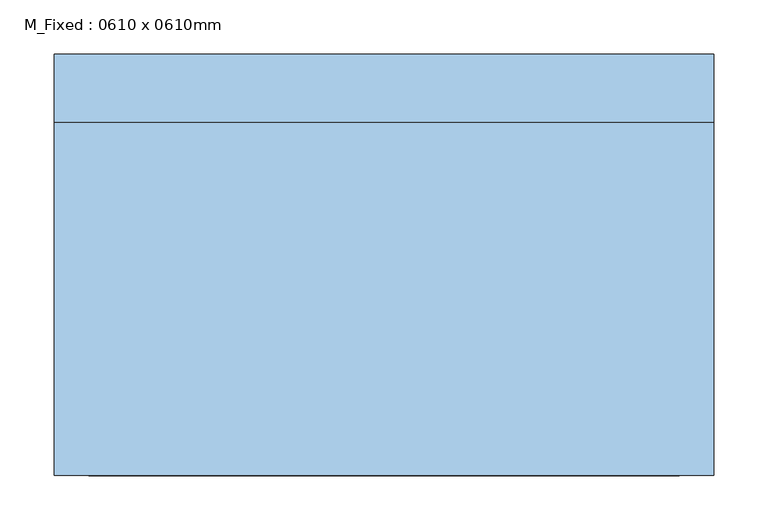
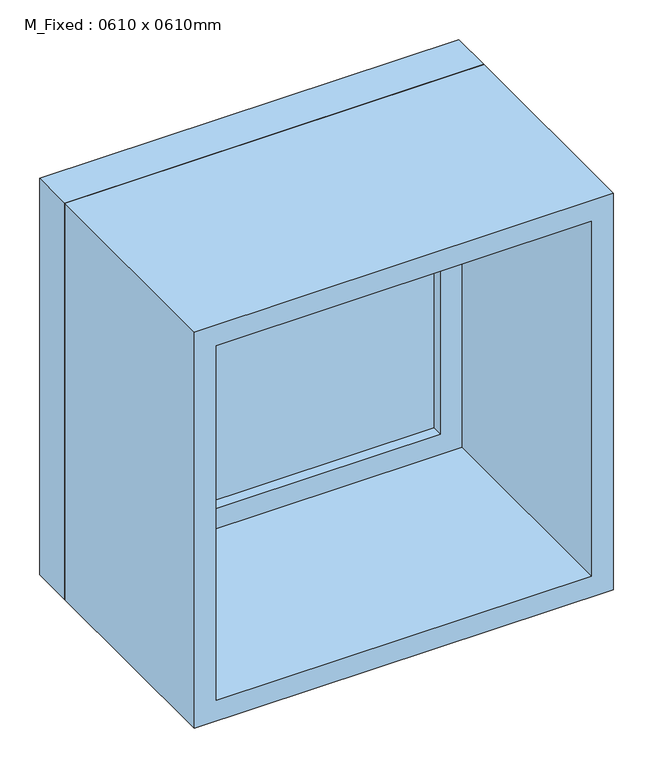
"""IFC4 building model written with IfcOpenShell, lengths in millimetres: window geometry, M_Fixed : 0610 x 0610mm."""

import ifcopenshell
import ifcopenshell.guid

model = None  # the IFC model being written
_history = None  # IfcOwnerHistory: only IFC2X3 demands one
_inside = {}  # id of a spatial element -> (the spatial element, [elements in it])
_under = {}  # id of a project, library or spatial element -> (it, [spatial elements below it])
_declared = {}  # id of a project -> (the project, [libraries it declares])
_typed = {}  # id of a type object -> (the type object, [elements of that type])
_made_of = {}  # id of a material, layer set ... -> (it, [elements and type objects made of it])


def new_model(schema):
    """Start an empty IFC model of exactly this schema.

    Asked for "IFC4X3", IfcOpenShell would pick the latest addendum, in which some entities
    have other attributes; the version numbers below select the first issue.
    IFC2X3 requires an IfcOwnerHistory on every rooted entity: one is made here for all.
    """
    global model, _history
    if schema == "IFC4X3":
        model = ifcopenshell.file(schema_version=(4, 3, 0, 0))
    else:
        model = ifcopenshell.file(schema=schema)
    _inside.clear()
    _under.clear()
    _declared.clear()
    _typed.clear()
    _made_of.clear()
    _history = None
    if model.schema == "IFC2X3":
        org = make("IfcOrganization", Name="unknown")
        user = make(
            "IfcPersonAndOrganization",
            ThePerson=make("IfcPerson", FamilyName="unknown"),
            TheOrganization=org,
        )
        app = make(
            "IfcApplication",
            ApplicationDeveloper=org,
            Version="unknown",
            ApplicationFullName="unknown",
            ApplicationIdentifier="unknown",
        )
        _history = make(
            "IfcOwnerHistory",
            OwningUser=user,
            OwningApplication=app,
            ChangeAction="ADDED",
            CreationDate=0,
        )
    return model


def make(cls, **values):
    """One entity of the class cls with the attributes given. An attribute that is None is left unset."""
    return model.create_entity(
        cls, **{name: value for name, value in values.items() if value is not None}
    )


def rooted(cls, **values):
    """An entity with a GlobalId (a new one), such as an element, a storey or a relation."""
    return make(cls, GlobalId=ifcopenshell.guid.new(), OwnerHistory=_history, **values)


def si_unit(unit_type, name, prefix=None):
    """IfcSIUnit, for example si_unit("LENGTHUNIT", "METRE", prefix="MILLI")."""
    return make("IfcSIUnit", UnitType=unit_type, Prefix=prefix, Name=name)


def assignment(units):
    """IfcUnitAssignment: the units of a project."""
    return None if units is None else make("IfcUnitAssignment", Units=units)


def point(xyz):
    """IfcCartesianPoint."""
    return None if xyz is None else make("IfcCartesianPoint", Coordinates=xyz)


def direction(xyz):
    """IfcDirection."""
    return None if xyz is None else make("IfcDirection", DirectionRatios=xyz)


def frame(location, z_axis=None, x_axis=None):
    """IfcAxis2Placement3D, a coordinate frame: its origin and axes. An axis left out is left unset."""
    return make(
        "IfcAxis2Placement3D",
        Location=point(location),
        Axis=direction(z_axis),
        RefDirection=direction(x_axis),
    )


def origin():
    """The frame at (0, 0, 0) with its axes left unset."""
    return frame((0.0, 0.0, 0.0))


def place(relative_to, where):
    """IfcLocalPlacement: puts the frame where relative to a parent placement (None: the world)."""
    return make(
        "IfcLocalPlacement", PlacementRelTo=relative_to, RelativePlacement=where
    )


def context(
    kind, dimensions, precision=None, world=None, true_north=None, identifier=None
):
    """IfcGeometricRepresentationContext, for example the 3D "Model" context."""
    return make(
        "IfcGeometricRepresentationContext",
        ContextIdentifier=identifier,
        ContextType=kind,
        CoordinateSpaceDimension=dimensions,
        Precision=precision,
        WorldCoordinateSystem=world,
        TrueNorth=true_north,
    )


def project(units=None, contexts=None):
    """IfcProject with its units and contexts."""
    return rooted(
        "IfcProject",
        Name="project",
        RepresentationContexts=contexts,
        UnitsInContext=assignment(units),
    )


def spatial(cls, under=None, at=None, **own):
    """A site, building, storey or space (cls), placed at a placement, below another one or the project."""
    s = rooted(cls, ObjectPlacement=at, **own)
    if under is not None:
        _under.setdefault(under.id(), (under, []))[1].append(s)
    return s


def polyline(points):
    """IfcPolyline through the points."""
    return make("IfcPolyline", Points=[point(p) for p in points])


def outline(outer, holes=None, kind="AREA"):
    """IfcArbitraryClosedProfileDef: a profile drawn as a closed curve; with holes, ...WithVoids."""
    if holes is None:
        return make("IfcArbitraryClosedProfileDef", ProfileType=kind, OuterCurve=outer)
    return make(
        "IfcArbitraryProfileDefWithVoids",
        ProfileType=kind,
        OuterCurve=outer,
        InnerCurves=holes,
    )


def extrude(swept, where, along, depth):
    """IfcExtrudedAreaSolid: the profile swept, set in the frame where, extruded along a direction by depth."""
    return make(
        "IfcExtrudedAreaSolid",
        SweptArea=swept,
        Position=where,
        ExtrudedDirection=direction(along),
        Depth=depth,
    )


def shape(context_of_items, identifier, shape_type, items):
    """IfcShapeRepresentation: the items that make up one representation, for example the "Body"."""
    return make(
        "IfcShapeRepresentation",
        ContextOfItems=context_of_items,
        RepresentationIdentifier=identifier,
        RepresentationType=shape_type,
        Items=items,
    )


def source(mapping_origin, context_of_items, identifier, shape_type, items):
    """IfcRepresentationMap: a shape defined once, which mapped items show again and again."""
    return make(
        "IfcRepresentationMap",
        MappingOrigin=mapping_origin,
        MappedRepresentation=shape(context_of_items, identifier, shape_type, items),
    )


def transform(
    local_origin,
    x_axis=None,
    y_axis=None,
    z_axis=None,
    scale=None,
    scale2=None,
    scale3=None,
    uniform=True,
):
    """IfcCartesianTransformationOperator3D, or its non-uniform kind. x_axis, y_axis, z_axis: its Axis1, 2, 3."""
    if uniform:
        return make(
            "IfcCartesianTransformationOperator3D",
            Axis1=direction(x_axis),
            Axis2=direction(y_axis),
            LocalOrigin=point(local_origin),
            Scale=scale,
            Axis3=direction(z_axis),
        )
    return make(
        "IfcCartesianTransformationOperator3DnonUniform",
        Axis1=direction(x_axis),
        Axis2=direction(y_axis),
        LocalOrigin=point(local_origin),
        Scale=scale,
        Axis3=direction(z_axis),
        Scale2=scale2,
        Scale3=scale3,
    )


def mapped(mapping_source, mapping_target):
    """IfcMappedItem: shows the shape of a source again, moved by a transform."""
    return make(
        "IfcMappedItem", MappingSource=mapping_source, MappingTarget=mapping_target
    )


def made_of(thing, what):
    """Note that an element or type object is made of a material, layer set ...; save() writes the relation."""
    if what is not None:
        _made_of.setdefault(what.id(), (what, []))[1].append(thing)
    return thing


def element(
    cls,
    number,
    at=None,
    inside=None,
    cuts=None,
    type_object=None,
    material=None,
    context=None,
    identifier="Body",
    shape_type=None,
    held_by="IfcProductDefinitionShape",
    body=None,
    shapes=None,
    **own,
):
    """One element of the class cls, such as IfcWall. Its Tag is "e" and its number.

    at: its placement. inside: the storey or other place that contains it. cuts: it is an
    opening in that element (IfcRelVoidsElement). A single representation is given by context,
    identifier, shape_type and body (its items); several are given by shapes. held_by: the class
    of the entity that holds the representations. save() writes the other relations.
    """
    e = rooted(cls, Tag="e%d" % number, ObjectPlacement=at, **own)
    if body is not None:
        shapes = [shape(context, identifier, shape_type, body)]
    if shapes is not None:
        e.Representation = make(held_by, Representations=shapes)
    if inside is not None:
        _inside.setdefault(inside.id(), (inside, []))[1].append(e)
    if cuts is not None:
        rooted(
            "IfcRelVoidsElement", RelatingBuildingElement=cuts, RelatedOpeningElement=e
        )
    if type_object is not None:
        _typed.setdefault(type_object.id(), (type_object, []))[1].append(e)
    return made_of(e, material)


def aggregate(whole, parts):
    """IfcRelAggregates: a whole, such as a stair, and the parts it consists of."""
    return rooted("IfcRelAggregates", RelatingObject=whole, RelatedObjects=parts)


def save(model, path):
    """Write the relations noted so far, then the file.

    IfcRelAggregates (storeys below a building ...), IfcRelContainedInSpatialStructure (elements
    in a storey), IfcRelDefinesByType, IfcRelAssociatesMaterial and IfcRelDeclares: one each for
    every whole, place, type object, material and project.
    """
    for whole, parts in _under.values():
        aggregate(whole, parts)
    for where, things in _inside.values():
        rooted(
            "IfcRelContainedInSpatialStructure",
            RelatedElements=things,
            RelatingStructure=where,
        )
    for kind, things in _typed.values():
        rooted("IfcRelDefinesByType", RelatedObjects=things, RelatingType=kind)
    for what, things in _made_of.values():
        rooted("IfcRelAssociatesMaterial", RelatedObjects=things, RelatingMaterial=what)
    for by, libraries in _declared.values():
        rooted("IfcRelDeclares", RelatingContext=by, RelatedDefinitions=libraries)
    model.write(path)


def m_fixed_0610_x_0610mm_27391db2(model_context):
    return source(origin(), model_context, "Body", "SweptSolid", [
        extrude(outline(polyline([(-242.0, 173.0), (242.0, 173.0), (242.0, 161.0), (-242.0, 161.0), (-242.0, 173.0)])), frame((0.0, 0.0, 978.0), z_axis=(0.0, 0.0, 1.0), x_axis=(1.0, 0.0, 0.0)), (0.0, 0.0, 1.0), 484.0),
        extrude(outline(polyline([(1506.0, -286.0), (934.0, -286.0), (934.0, 286.0), (1506.0, 286.0), (1506.0, -286.0)]), holes=[polyline([(1462.0, -242.0), (1462.0, 242.0), (978.0, 242.0), (978.0, -242.0), (1462.0, -242.0)])]), frame((0.0, 145.0, 0.0), z_axis=(0.0, 1.0, 0.0), x_axis=(0.0, 0.0, 1.0)), (0.0, 0.0, 1.0), 44.0),
        extrude(outline(polyline([(1525.0, -305.0), (915.0, -305.0), (915.0, 305.0), (1525.0, 305.0), (1525.0, -305.0)]), holes=[polyline([(1506.0, -286.0), (1506.0, 286.0), (934.0, 286.0), (934.0, -286.0), (1506.0, -286.0)])]), frame((0.0, 145.0, 0.0), z_axis=(0.0, 1.0, 0.0), x_axis=(0.0, 0.0, 1.0)), (0.0, 0.0, 1.0), 63.0),
        extrude(outline(polyline([(1525.0, -305.0), (915.0, -305.0), (915.0, 305.0), (1525.0, 305.0), (1525.0, -305.0)]), holes=[polyline([(1493.0, -273.0), (1493.0, 273.0), (947.0, 273.0), (947.0, -273.0), (1493.0, -273.0)])]), frame((0.0, -182.0, 0.0), z_axis=(0.0, 1.0, 0.0), x_axis=(0.0, 0.0, 1.0)), (0.0, 0.0, 1.0), 327.0),
    ])


if __name__ == "__main__":
    model = new_model("IFC4")
    model_context = context("Model", 3, world=origin())
    ifc_project = project(units=[si_unit("LENGTHUNIT", "METRE", prefix="MILLI")], contexts=[model_context])
    site = spatial("IfcSite", under=ifc_project)
    building = spatial("IfcBuilding", under=site)
    placement = place(None, origin())
    m_fixed_0610_x_0610mm_shape = m_fixed_0610_x_0610mm_27391db2(model_context)
    element("IfcWindow", 1, ObjectType="M_Fixed : 0610 x 0610mm", at=placement, inside=building, context=model_context, shape_type="MappedRepresentation", body=[
        mapped(m_fixed_0610_x_0610mm_shape, transform((0.0, 0.0, 0.0), x_axis=(1.0, 0.0, 0.0), y_axis=(0.0, 1.0, 0.0), z_axis=(0.0, 0.0, 1.0))),
    ])
    save(model, "model.ifc")
